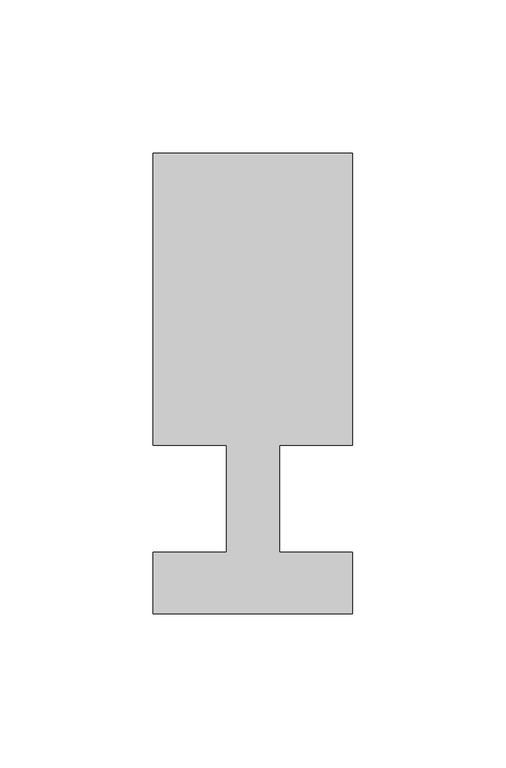
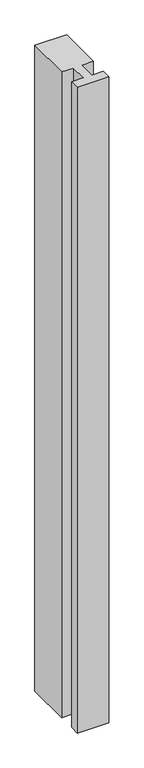
"""IFC4 building model written with IfcOpenShell, lengths in millimetres: member geometry."""

import ifcopenshell
import ifcopenshell.guid

model = None  # the IFC model being written
_history = None  # IfcOwnerHistory: only IFC2X3 demands one
_inside = {}  # id of a spatial element -> (the spatial element, [elements in it])
_under = {}  # id of a project, library or spatial element -> (it, [spatial elements below it])
_declared = {}  # id of a project -> (the project, [libraries it declares])
_typed = {}  # id of a type object -> (the type object, [elements of that type])
_made_of = {}  # id of a material, layer set ... -> (it, [elements and type objects made of it])


def new_model(schema):
    """Start an empty IFC model of exactly this schema.

    Asked for "IFC4X3", IfcOpenShell would pick the latest addendum, in which some entities
    have other attributes; the version numbers below select the first issue.
    IFC2X3 requires an IfcOwnerHistory on every rooted entity: one is made here for all.
    """
    global model, _history
    if schema == "IFC4X3":
        model = ifcopenshell.file(schema_version=(4, 3, 0, 0))
    else:
        model = ifcopenshell.file(schema=schema)
    _inside.clear()
    _under.clear()
    _declared.clear()
    _typed.clear()
    _made_of.clear()
    _history = None
    if model.schema == "IFC2X3":
        org = make("IfcOrganization", Name="unknown")
        user = make(
            "IfcPersonAndOrganization",
            ThePerson=make("IfcPerson", FamilyName="unknown"),
            TheOrganization=org,
        )
        app = make(
            "IfcApplication",
            ApplicationDeveloper=org,
            Version="unknown",
            ApplicationFullName="unknown",
            ApplicationIdentifier="unknown",
        )
        _history = make(
            "IfcOwnerHistory",
            OwningUser=user,
            OwningApplication=app,
            ChangeAction="ADDED",
            CreationDate=0,
        )
    return model


def make(cls, **values):
    """One entity of the class cls with the attributes given. An attribute that is None is left unset."""
    return model.create_entity(
        cls, **{name: value for name, value in values.items() if value is not None}
    )


def rooted(cls, **values):
    """An entity with a GlobalId (a new one), such as an element, a storey or a relation."""
    return make(cls, GlobalId=ifcopenshell.guid.new(), OwnerHistory=_history, **values)


def si_unit(unit_type, name, prefix=None):
    """IfcSIUnit, for example si_unit("LENGTHUNIT", "METRE", prefix="MILLI")."""
    return make("IfcSIUnit", UnitType=unit_type, Prefix=prefix, Name=name)


def assignment(units):
    """IfcUnitAssignment: the units of a project."""
    return None if units is None else make("IfcUnitAssignment", Units=units)


def point(xyz):
    """IfcCartesianPoint."""
    return None if xyz is None else make("IfcCartesianPoint", Coordinates=xyz)


def direction(xyz):
    """IfcDirection."""
    return None if xyz is None else make("IfcDirection", DirectionRatios=xyz)


def frame(location, z_axis=None, x_axis=None):
    """IfcAxis2Placement3D, a coordinate frame: its origin and axes. An axis left out is left unset."""
    return make(
        "IfcAxis2Placement3D",
        Location=point(location),
        Axis=direction(z_axis),
        RefDirection=direction(x_axis),
    )


def origin():
    """The frame at (0, 0, 0) with its axes left unset."""
    return frame((0.0, 0.0, 0.0))


def place(relative_to, where):
    """IfcLocalPlacement: puts the frame where relative to a parent placement (None: the world)."""
    return make(
        "IfcLocalPlacement", PlacementRelTo=relative_to, RelativePlacement=where
    )


def context(
    kind, dimensions, precision=None, world=None, true_north=None, identifier=None
):
    """IfcGeometricRepresentationContext, for example the 3D "Model" context."""
    return make(
        "IfcGeometricRepresentationContext",
        ContextIdentifier=identifier,
        ContextType=kind,
        CoordinateSpaceDimension=dimensions,
        Precision=precision,
        WorldCoordinateSystem=world,
        TrueNorth=true_north,
    )


def project(units=None, contexts=None):
    """IfcProject with its units and contexts."""
    return rooted(
        "IfcProject",
        Name="project",
        RepresentationContexts=contexts,
        UnitsInContext=assignment(units),
    )


def spatial(cls, under=None, at=None, **own):
    """A site, building, storey or space (cls), placed at a placement, below another one or the project."""
    s = rooted(cls, ObjectPlacement=at, **own)
    if under is not None:
        _under.setdefault(under.id(), (under, []))[1].append(s)
    return s


def polyline(points):
    """IfcPolyline through the points."""
    return make("IfcPolyline", Points=[point(p) for p in points])


def outline(outer, holes=None, kind="AREA"):
    """IfcArbitraryClosedProfileDef: a profile drawn as a closed curve; with holes, ...WithVoids."""
    if holes is None:
        return make("IfcArbitraryClosedProfileDef", ProfileType=kind, OuterCurve=outer)
    return make(
        "IfcArbitraryProfileDefWithVoids",
        ProfileType=kind,
        OuterCurve=outer,
        InnerCurves=holes,
    )


def extrude(swept, where, along, depth):
    """IfcExtrudedAreaSolid: the profile swept, set in the frame where, extruded along a direction by depth."""
    return make(
        "IfcExtrudedAreaSolid",
        SweptArea=swept,
        Position=where,
        ExtrudedDirection=direction(along),
        Depth=depth,
    )


def shape(context_of_items, identifier, shape_type, items):
    """IfcShapeRepresentation: the items that make up one representation, for example the "Body"."""
    return make(
        "IfcShapeRepresentation",
        ContextOfItems=context_of_items,
        RepresentationIdentifier=identifier,
        RepresentationType=shape_type,
        Items=items,
    )


def source(mapping_origin, context_of_items, identifier, shape_type, items):
    """IfcRepresentationMap: a shape defined once, which mapped items show again and again."""
    return make(
        "IfcRepresentationMap",
        MappingOrigin=mapping_origin,
        MappedRepresentation=shape(context_of_items, identifier, shape_type, items),
    )


def transform(
    local_origin,
    x_axis=None,
    y_axis=None,
    z_axis=None,
    scale=None,
    scale2=None,
    scale3=None,
    uniform=True,
):
    """IfcCartesianTransformationOperator3D, or its non-uniform kind. x_axis, y_axis, z_axis: its Axis1, 2, 3."""
    if uniform:
        return make(
            "IfcCartesianTransformationOperator3D",
            Axis1=direction(x_axis),
            Axis2=direction(y_axis),
            LocalOrigin=point(local_origin),
            Scale=scale,
            Axis3=direction(z_axis),
        )
    return make(
        "IfcCartesianTransformationOperator3DnonUniform",
        Axis1=direction(x_axis),
        Axis2=direction(y_axis),
        LocalOrigin=point(local_origin),
        Scale=scale,
        Axis3=direction(z_axis),
        Scale2=scale2,
        Scale3=scale3,
    )


def mapped(mapping_source, mapping_target):
    """IfcMappedItem: shows the shape of a source again, moved by a transform."""
    return make(
        "IfcMappedItem", MappingSource=mapping_source, MappingTarget=mapping_target
    )


def made_of(thing, what):
    """Note that an element or type object is made of a material, layer set ...; save() writes the relation."""
    if what is not None:
        _made_of.setdefault(what.id(), (what, []))[1].append(thing)
    return thing


def element(
    cls,
    number,
    at=None,
    inside=None,
    cuts=None,
    type_object=None,
    material=None,
    context=None,
    identifier="Body",
    shape_type=None,
    held_by="IfcProductDefinitionShape",
    body=None,
    shapes=None,
    **own,
):
    """One element of the class cls, such as IfcWall. Its Tag is "e" and its number.

    at: its placement. inside: the storey or other place that contains it. cuts: it is an
    opening in that element (IfcRelVoidsElement). A single representation is given by context,
    identifier, shape_type and body (its items); several are given by shapes. held_by: the class
    of the entity that holds the representations. save() writes the other relations.
    """
    e = rooted(cls, Tag="e%d" % number, ObjectPlacement=at, **own)
    if body is not None:
        shapes = [shape(context, identifier, shape_type, body)]
    if shapes is not None:
        e.Representation = make(held_by, Representations=shapes)
    if inside is not None:
        _inside.setdefault(inside.id(), (inside, []))[1].append(e)
    if cuts is not None:
        rooted(
            "IfcRelVoidsElement", RelatingBuildingElement=cuts, RelatedOpeningElement=e
        )
    if type_object is not None:
        _typed.setdefault(type_object.id(), (type_object, []))[1].append(e)
    return made_of(e, material)


def aggregate(whole, parts):
    """IfcRelAggregates: a whole, such as a stair, and the parts it consists of."""
    return rooted("IfcRelAggregates", RelatingObject=whole, RelatedObjects=parts)


def save(model, path):
    """Write the relations noted so far, then the file.

    IfcRelAggregates (storeys below a building ...), IfcRelContainedInSpatialStructure (elements
    in a storey), IfcRelDefinesByType, IfcRelAssociatesMaterial and IfcRelDeclares: one each for
    every whole, place, type object, material and project.
    """
    for whole, parts in _under.values():
        aggregate(whole, parts)
    for where, things in _inside.values():
        rooted(
            "IfcRelContainedInSpatialStructure",
            RelatedElements=things,
            RelatingStructure=where,
        )
    for kind, things in _typed.values():
        rooted("IfcRelDefinesByType", RelatedObjects=things, RelatingType=kind)
    for what, things in _made_of.values():
        rooted("IfcRelAssociatesMaterial", RelatedObjects=things, RelatingMaterial=what)
    for by, libraries in _declared.values():
        rooted("IfcRelDeclares", RelatingContext=by, RelatedDefinitions=libraries)
    model.write(path)


def member_e2a5af25(model_context):
    return source(origin(), model_context, "Body", "SweptSolid", [
        extrude(outline(polyline([(-65.0, -37.0), (-65.0, -17.0), (-41.1875, -17.0), (-41.1875, 18.0), (-65.0, 18.0), (-65.0, 113.0), (0.0, 113.0), (0.0, 18.0), (-23.8125, 18.0), (-23.8125, -17.0), (0.0, -17.0), (0.0, -37.0), (-65.0, -37.0)])), frame((0.0, 0.0, -1400.0), z_axis=(0.0, 0.0, 1.0), x_axis=(1.0, 0.0, 0.0)), (0.0, 0.0, 1.0), 1400.0),
    ])


if __name__ == "__main__":
    model = new_model("IFC4")
    model_context = context("Model", 3, world=origin())
    ifc_project = project(units=[si_unit("LENGTHUNIT", "METRE", prefix="MILLI")], contexts=[model_context])
    site = spatial("IfcSite", under=ifc_project)
    building = spatial("IfcBuilding", under=site)
    placement = place(None, origin())
    member_shape = member_e2a5af25(model_context)
    element("IfcMember", 1, at=placement, inside=building, context=model_context, shape_type="MappedRepresentation", body=[
        mapped(member_shape, transform((0.0, 0.0, 0.0), x_axis=(1.0, 0.0, 0.0), y_axis=(0.0, 1.0, 0.0), z_axis=(0.0, 0.0, 1.0))),
    ])
    save(model, "model.ifc")
